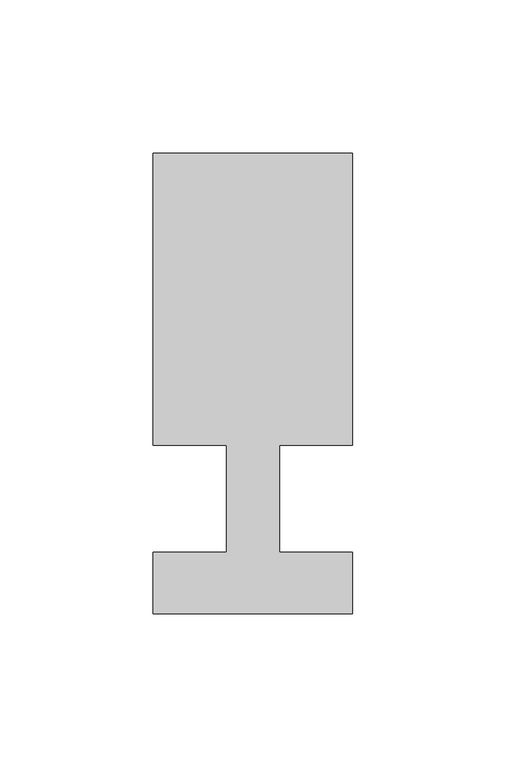
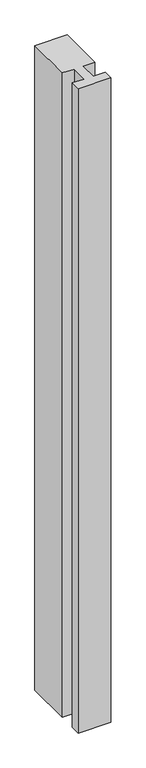
"""IFC4 building model written with IfcOpenShell, lengths in millimetres: member geometry."""

from ifc_helpers import new_model, si_unit, frame, origin, place, context, project, spatial, polyline, outline, extrude, source, transform, mapped, element, save


def member_518fa9c9(model_context):
    return source(origin(), model_context, "Body", "SweptSolid", [
        extrude(outline(polyline([(0.0, -37.0), (-65.0, -37.0), (-65.0, -17.0), (-41.1875, -17.0), (-41.1875, 18.0), (-65.0, 18.0), (-65.0, 113.0), (0.0, 113.0), (0.0, 18.0), (-23.8125, 18.0), (-23.8125, -17.0), (0.0, -17.0), (0.0, -37.0)])), frame((0.0, 0.0, -1361.1875), z_axis=(0.0, 0.0, 1.0), x_axis=(1.0, 0.0, 0.0)), (0.0, 0.0, 1.0), 1361.1875),
    ])


if __name__ == "__main__":
    model = new_model("IFC4")
    model_context = context("Model", 3, world=origin())
    ifc_project = project(units=[si_unit("LENGTHUNIT", "METRE", prefix="MILLI")], contexts=[model_context])
    site = spatial("IfcSite", under=ifc_project)
    building = spatial("IfcBuilding", under=site)
    placement = place(None, origin())
    member_shape = member_518fa9c9(model_context)
    element("IfcMember", 1, at=placement, inside=building, context=model_context, shape_type="MappedRepresentation", body=[
        mapped(member_shape, transform((0.0, 0.0, 0.0), x_axis=(1.0, 0.0, 0.0), y_axis=(0.0, 1.0, 0.0), z_axis=(0.0, 0.0, 1.0))),
    ])
    save(model, "model.ifc")
